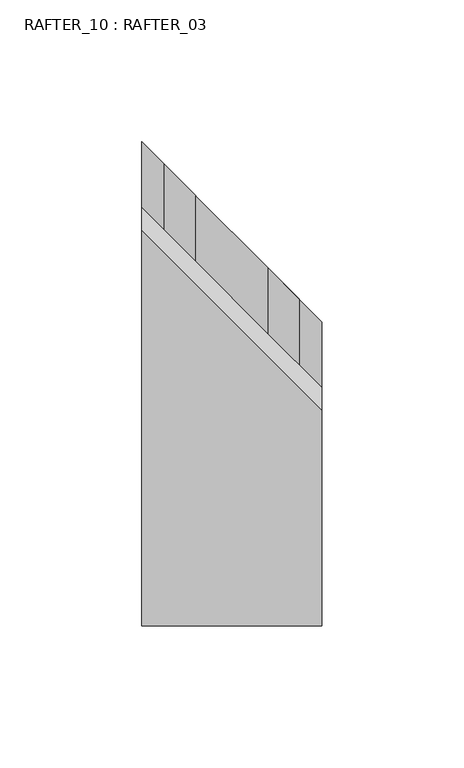
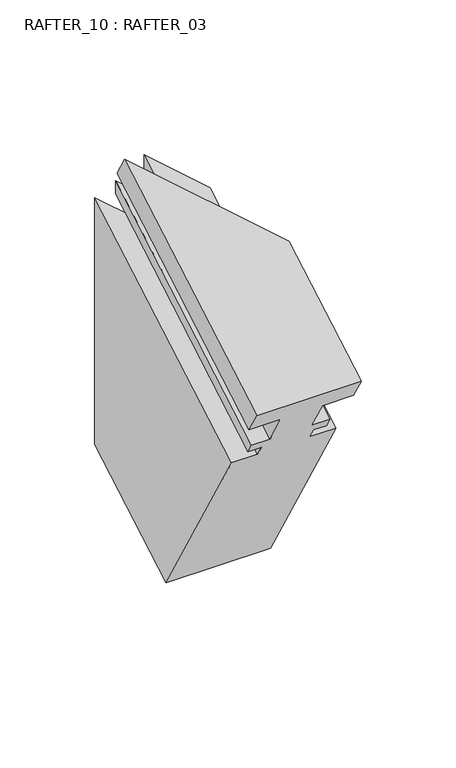
"""IFC4 building model written with IfcOpenShell, lengths in millimetres: proxy geometry, RAFTER_10 : RAFTER_03."""

from ifc_helpers import new_model, si_unit, origin, place, context, project, spatial, faceted_brep, source, transform, mapped, element, save


def rafter_10_rafter_03_32d99195(model_context):
    return source(origin(), model_context, "Body", "Brep", [
        faceted_brep([(11914.1840277, -13046.2448364, 1717.675), (11914.1840277, -13038.2358989, 1703.8031133), (11933.2340277, -13038.2358989, 1703.8031133), (11933.2340277, -13026.9963989, 1684.3357283), (11922.1088277, -13026.9963989, 1684.3357283), (11922.1088277, -13023.4149989, 1678.1325615), (11930.0590277, -13023.4149989, 1678.1325615), (11930.0590277, -13019.4652989, 1671.2914804), (11914.1840277, -13019.4652989, 1671.2914804), (11914.1840277, -12950.7963989, 1552.3534567), (11977.6840277, -12950.7963989, 1552.3534567), (11977.6840277, -13019.4652989, 1671.2914804), (11961.8090277, -13019.4652989, 1671.2914804), (11961.8090277, -13023.4149989, 1678.1325615), (11969.7592277, -13023.4149989, 1678.1325615), (11969.7592277, -13026.9963989, 1684.3357283), (11958.6340277, -13026.9963989, 1684.3357283), (11958.6340277, -13038.2358989, 1703.8031133), (11977.6840277, -13038.2358989, 1703.8031133), (11977.6840277, -13046.2448364, 1717.675), (11914.1840277, -12906.7984278, 1798.1844215), (11914.1840277, -12898.7894903, 1784.3125349), (11933.2340277, -12917.8394903, 1773.3140122), (11933.2340277, -12894.650113, 1786.8234918), (11933.2340277, -12894.5948275, 1760.7778112), (11922.1088277, -12883.4696275, 1767.2009484), (11922.1088277, -12883.4687182, 1758.9305843), (11930.0590277, -12891.4189182, 1754.3405342), (11930.0590277, -12891.4179154, 1745.2196718), (11914.1840277, -12875.5429154, 1754.3851073), (11914.1840277, -12875.5254811, 1595.8111414), (11977.6840277, -12939.0254811, 1559.1493993), (11977.6840277, -12939.0429154, 1717.7233652), (11961.8090277, -12923.1679154, 1726.8888007), (11961.8090277, -12923.1689182, 1736.0096632), (11969.7592277, -12931.1191182, 1731.4196131), (11969.7592277, -12931.1200275, 1739.6899771), (11958.6340277, -12919.9948275, 1746.1131143), (11958.6340277, -12919.9976811, 1772.0679802), (11958.6340277, -12943.2919222, 1758.7401301), (11977.6840277, -12962.2894903, 1747.6507928), (11977.6840277, -12970.2984278, 1761.5226794)], [[[0, 1, 2, 3, 4, 5, 6, 7, 8, 9, 10, 11, 12, 13, 14, 15, 16, 17, 18, 19]], [[1, 0, 20, 21]], [[2, 1, 21, 22]], [[3, 2, 22, 23, 24]], [[4, 3, 24, 25]], [[5, 4, 25, 26]], [[6, 5, 26, 27]], [[7, 6, 27, 28]], [[8, 7, 28, 29]], [[9, 8, 29, 30]], [[10, 9, 30, 31]], [[11, 10, 31, 32]], [[12, 11, 32, 33]], [[13, 12, 33, 34]], [[14, 13, 34, 35]], [[15, 14, 35, 36]], [[16, 15, 36, 37]], [[17, 16, 37, 38, 39]], [[18, 17, 39, 40]], [[19, 18, 40, 41]], [[0, 19, 41, 20]], [[24, 23, 38, 37, 36, 35, 34, 33, 32, 31, 30, 29, 28, 27, 26, 25]], [[39, 22, 21, 20, 41, 40]], [[22, 39, 38, 23]]]),
    ])


if __name__ == "__main__":
    model = new_model("IFC4")
    model_context = context("Model", 3, world=origin())
    ifc_project = project(units=[si_unit("LENGTHUNIT", "METRE", prefix="MILLI")], contexts=[model_context])
    site = spatial("IfcSite", under=ifc_project)
    building = spatial("IfcBuilding", under=site)
    placement = place(None, origin())
    rafter_10_rafter_03_shape = rafter_10_rafter_03_32d99195(model_context)
    element("IfcBuildingElementProxy", 1, Name="RAFTER_10 : RAFTER_03", ObjectType="RAFTER_10 : RAFTER_03", at=placement, inside=building, context=model_context, shape_type="MappedRepresentation", body=[
        mapped(rafter_10_rafter_03_shape, transform((0.0, 0.0, 0.0), x_axis=(1.0, 0.0, 0.0), y_axis=(0.0, 1.0, 0.0), z_axis=(0.0, 0.0, 1.0))),
    ])
    save(model, "model.ifc")
